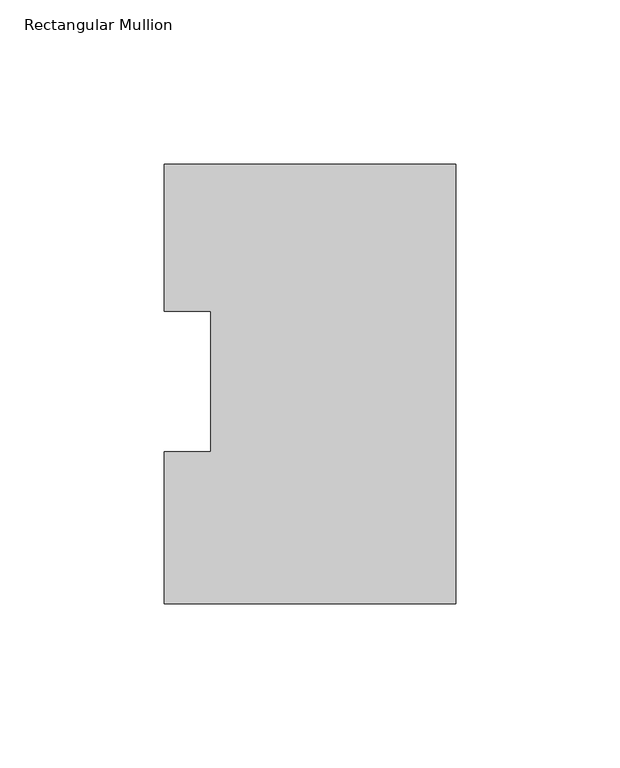
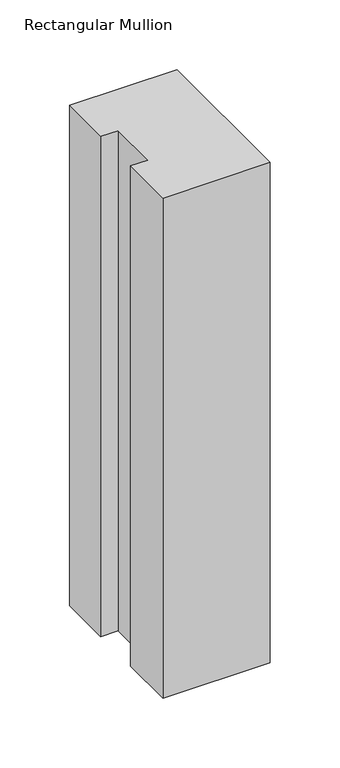
"""IFC4 building model written with IfcOpenShell, lengths in millimetres: member geometry, Rectangular Mullion."""

from ifc_helpers import new_model, si_unit, frame, origin, place, context, project, spatial, polyline, outline, extrude, source, transform, mapped, element, save


def rectangular_mullion_b811c4a7(model_context):
    return source(origin(), model_context, "Body", "SweptSolid", [
        extrude(outline(polyline([(0.0, 130.0368875), (0.0, -3.9735125), (-88.9, -3.9735125), (-88.9, 42.2798875), (-74.6252, 42.2798875), (-74.6252, 85.1296875), (-88.9, 85.1296875), (-88.9, 130.0368875), (0.0, 130.0368875)])), frame((0.0, 0.0, -438.15), z_axis=(0.0, 0.0, 1.0), x_axis=(1.0, 0.0, 0.0)), (0.0, 0.0, 1.0), 438.15),
    ])


if __name__ == "__main__":
    model = new_model("IFC4")
    model_context = context("Model", 3, world=origin())
    ifc_project = project(units=[si_unit("LENGTHUNIT", "METRE", prefix="MILLI")], contexts=[model_context])
    site = spatial("IfcSite", under=ifc_project)
    building = spatial("IfcBuilding", under=site)
    placement = place(None, origin())
    rectangular_mullion_shape = rectangular_mullion_b811c4a7(model_context)
    element("IfcMember", 1, ObjectType="Rectangular Mullion", at=placement, inside=building, context=model_context, shape_type="MappedRepresentation", body=[
        mapped(rectangular_mullion_shape, transform((0.0, 0.0, 0.0), x_axis=(1.0, 0.0, 0.0), y_axis=(0.0, 1.0, 0.0), z_axis=(0.0, 0.0, 1.0))),
    ])
    save(model, "model.ifc")
